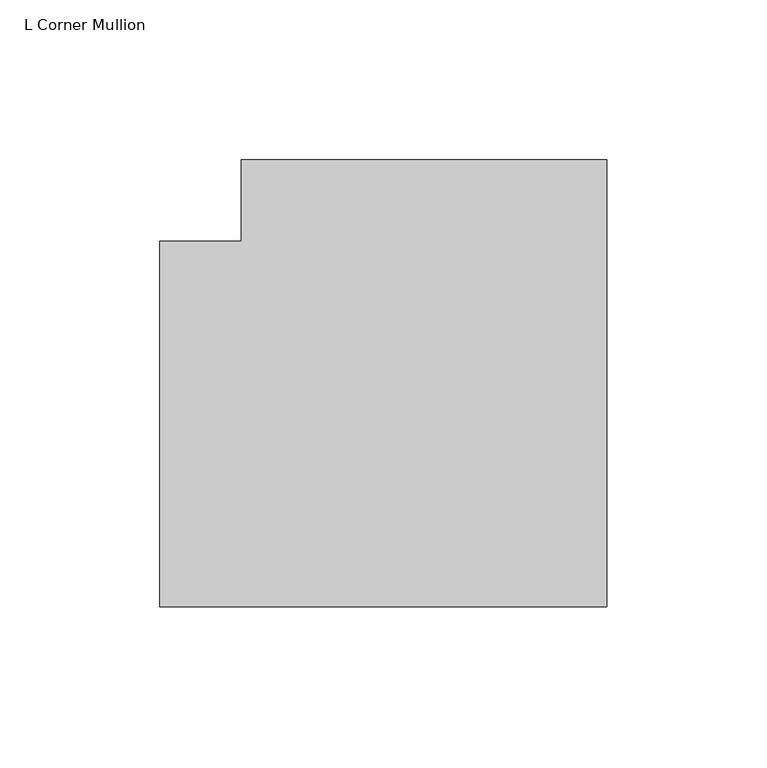
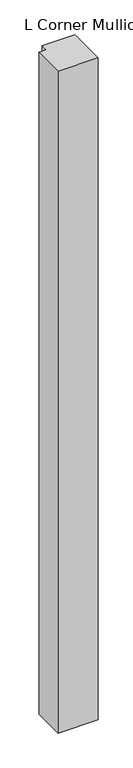
"""IFC4 building model written with IfcOpenShell, lengths in millimetres: member geometry, L Corner Mullion."""

from ifc_helpers import new_model, si_unit, frame, origin, place, context, project, spatial, polyline, outline, extrude, source, transform, mapped, element, save


def l_corner_mullion_a1e9d50a(model_context):
    return source(origin(), model_context, "Body", "SweptSolid", [
        extrude(outline(polyline([(57.15, 82.55), (57.15, -57.15), (-82.55, -57.15), (-82.55, 57.15), (-57.15, 57.15), (-57.15, 82.55), (57.15, 82.55)])), frame((0.0, 0.0, -2438.4), z_axis=(0.0, 0.0, 1.0), x_axis=(1.0, 0.0, 0.0)), (0.0, 0.0, 1.0), 2438.4),
    ])


if __name__ == "__main__":
    model = new_model("IFC4")
    model_context = context("Model", 3, world=origin())
    ifc_project = project(units=[si_unit("LENGTHUNIT", "METRE", prefix="MILLI")], contexts=[model_context])
    site = spatial("IfcSite", under=ifc_project)
    building = spatial("IfcBuilding", under=site)
    placement = place(None, origin())
    l_corner_mullion_shape = l_corner_mullion_a1e9d50a(model_context)
    element("IfcMember", 1, ObjectType="L Corner Mullion", at=placement, inside=building, context=model_context, shape_type="MappedRepresentation", body=[
        mapped(l_corner_mullion_shape, transform((0.0, 0.0, 0.0), x_axis=(1.0, 0.0, 0.0), y_axis=(0.0, 1.0, 0.0), z_axis=(0.0, 0.0, 1.0))),
    ])
    save(model, "model.ifc")
